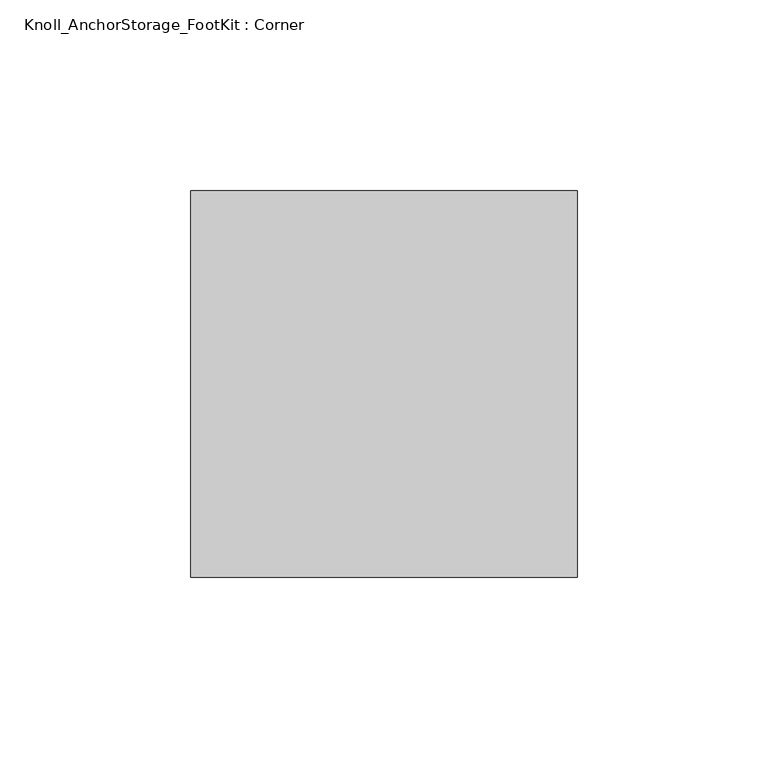
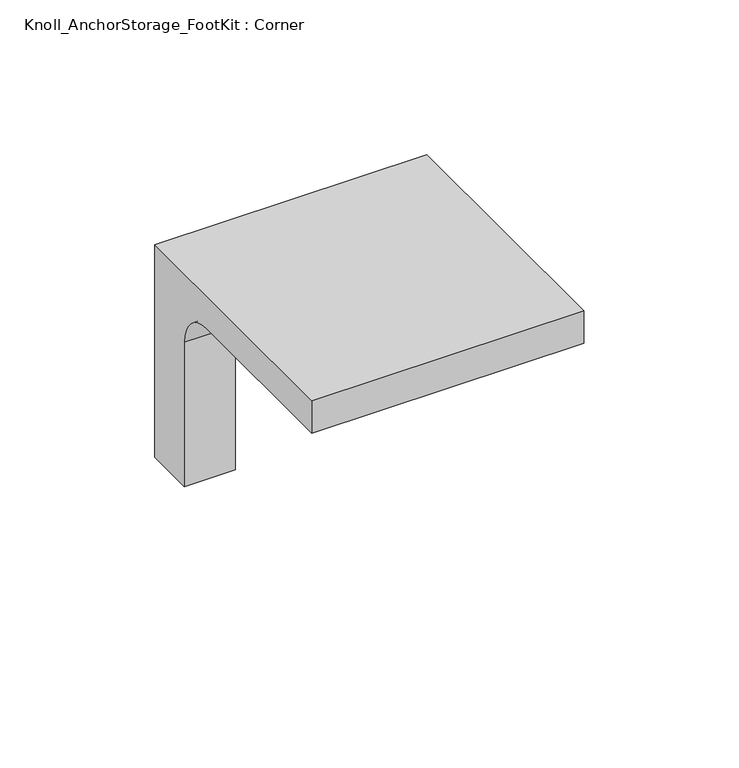
"""IFC4 building model written with IfcOpenShell, lengths in millimetres: furniture geometry, Knoll_AnchorStorage_FootKit : Corner."""

from ifc_helpers import new_model, si_unit, frame, origin, place, context, project, spatial, polyline, circle_curve, ellipse_curve, source, transform, mapped, element, save
from ifc_brep_helpers import plane_surface, revolved_surface, advanced_brep


def knoll_anchorstorage_footkit_corner_c78e7a47(model_context):
    return source(origin(), model_context, "Body", "AdvancedBrep", [
        advanced_brep(
        [(0.0, -101.3460033, 83.693), (101.3460033, -101.3460033, 83.693), (101.3460033, 0.0, 83.693), (0.0, 0.0, 83.693), (19.05, 0.0, 0.0), (19.05, -19.05, 0.0), (0.0, -19.05, 0.0), (0.0, 0.0, 0.0), (101.3460033, 0.0, 70.8660005), (33.1470002, 0.0, 70.8660005), (19.05, 0.0, 56.7690004), (0.0, -19.05, 56.7690004), (0.0, -33.1470002, 70.8660005), (0.0, -101.3460033, 70.8660005), (19.05, -19.05, 56.7690004), (101.3460033, -101.3460033, 70.8660005), (33.1470002, -33.1470002, 70.8660005)],
        [
            (0, 1),
            (1, 2),
            (2, 3),
            (3, 0),
            (4, 5),
            (5, 6),
            (6, 7),
            (7, 4),
            (7, 3),
            (2, 8),
            (8, 9),
            (9, 10, circle_curve(frame((33.1470002, 0.0, 56.7690004), z_axis=(0.0, -1.0, 0.0), x_axis=(1.0, 0.0, 0.0)), 14.0970002)),
            (10, 4),
            (6, 11),
            (11, 12, circle_curve(frame((0.0, -33.1470002, 56.7690004), z_axis=(1.0, 0.0, 0.0), x_axis=(0.0, -1.0, 0.0)), 14.0970002)),
            (12, 13),
            (13, 0),
            (5, 14),
            (14, 11),
            (10, 14),
            (8, 15),
            (15, 13),
            (12, 16),
            (16, 9),
            (1, 15),
            (16, 14, ellipse_curve(frame((33.1470002, -33.1470002, 56.7690004), z_axis=(-0.7071067811865475, -0.7071067811865475, 0.0), x_axis=(0.7071067811865474, -0.7071067811865476, 0.0)), 19.9361688, 14.0970002)),
        ],
        [
            plane_surface(frame((0.0, 0.0, 83.693), z_axis=(0.0, 0.0, 1.0), x_axis=(-1.0, 0.0, 0.0))),
            plane_surface(frame((0.0, 0.0, 0.0), z_axis=(0.0, 0.0, -1.0), x_axis=(1.0, 0.0, 0.0))),
            plane_surface(frame((19.05, 0.0, 83.693), z_axis=(0.0, 1.0, 0.0), x_axis=(0.0, 0.0, -1.0))),
            plane_surface(frame((0.0, 0.0, 83.693), z_axis=(-1.0, 0.0, 0.0), x_axis=(0.0, 0.0, -1.0))),
            plane_surface(frame((0.0, -19.05, 83.693), z_axis=(0.0, -1.0, 0.0), x_axis=(0.0, 0.0, -1.0))),
            plane_surface(frame((19.05, -19.05, 83.693), z_axis=(1.0, 0.0, 0.0), x_axis=(0.0, 0.0, -1.0))),
            plane_surface(frame((101.3460033, 0.0, 70.8660005), z_axis=(0.0, 0.0, -1.0), x_axis=(0.0, -1.0, 0.0))),
            plane_surface(frame((101.3460033, 0.0, 70.8660005), z_axis=(1.0, 0.0, 0.0), x_axis=(0.0, 0.0, 1.0))),
            plane_surface(frame((101.3460033, -101.3460033, 70.8660005), z_axis=(0.0, -1.0, 0.0), x_axis=(0.0, 0.0, 1.0))),
            revolved_surface(polyline([(47.244000400000004, -47.24400034935968, 56.7690004), (47.244000400000004, 0.0, 56.7690004)]), (33.1470002, 0.0, 56.7690004), (0.0, -1.0, 0.0)),
            revolved_surface(polyline([(0.0, -47.244000400000004, 56.7690004), (47.24400034935967, -47.244000400000004, 56.7690004)]), (19.05, -33.1470002, 56.7690004), (-1.0, 0.0, 0.0)),
        ],
        [
            (0, [[1, 2, 3, 4]]),
            (1, [[5, 6, 7, 8]]),
            (2, [[-8, 9, -3, 10, 11, 12, 13]]),
            (3, [[-7, 14, 15, 16, 17, -4, -9]]),
            (4, [[-6, 18, 19, -14]]),
            (5, [[-5, -13, 20, -18]]),
            (6, [[21, 22, -16, 23, 24, -11]]),
            (7, [[-21, -10, -2, 25]]),
            (8, [[-22, -25, -1, -17]]),
            (9, [[-12, -24, 26, -20]]),
            (10, [[-26, -23, -15, -19]]),
        ],
    ),
    ])


if __name__ == "__main__":
    model = new_model("IFC4")
    model_context = context("Model", 3, world=origin())
    ifc_project = project(units=[si_unit("LENGTHUNIT", "METRE", prefix="MILLI")], contexts=[model_context])
    site = spatial("IfcSite", under=ifc_project)
    building = spatial("IfcBuilding", under=site)
    placement = place(None, origin())
    knoll_anchorstorage_footkit_corner_shape = knoll_anchorstorage_footkit_corner_c78e7a47(model_context)
    element("IfcFurniture", 1, ObjectType="Knoll_AnchorStorage_FootKit : Corner", at=placement, inside=building, context=model_context, shape_type="MappedRepresentation", body=[
        mapped(knoll_anchorstorage_footkit_corner_shape, transform((0.0, 0.0, 0.0), x_axis=(1.0, 0.0, 0.0), y_axis=(0.0, 1.0, 0.0), z_axis=(0.0, 0.0, 1.0))),
    ])
    save(model, "model.ifc")
